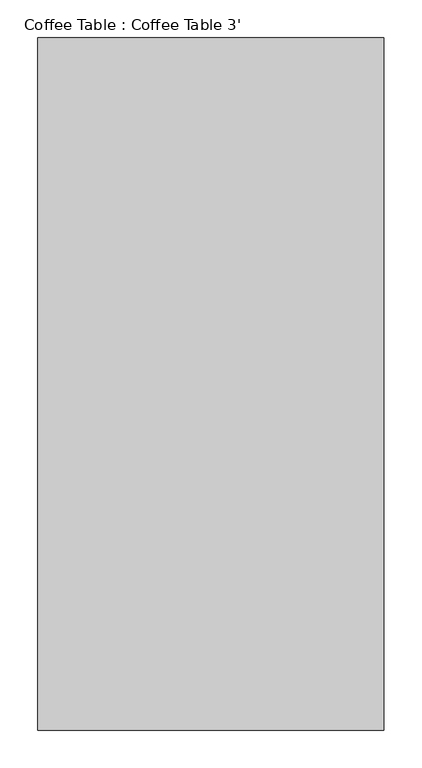
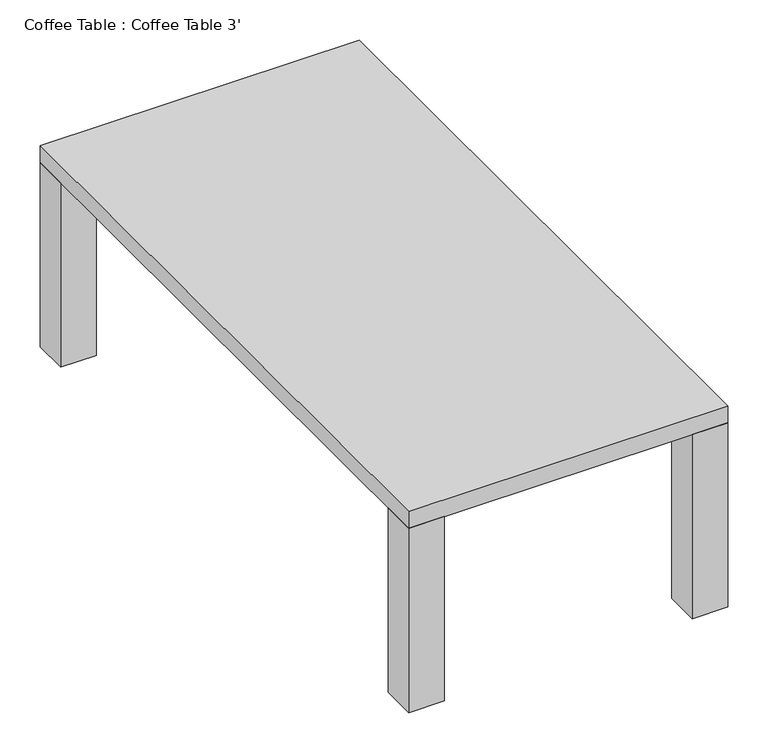
"""IFC4 building model written with IfcOpenShell, lengths in millimetres: furniture geometry, Coffee Table : Coffee Table 3'."""

from ifc_helpers import new_model, si_unit, frame, origin, origin_with_axes, place, context, project, spatial, polyline, outline, extrude, source, transform, mapped, element, save


def coffee_table_coffee_table_3_8af96b1b(model_context):
    return source(origin(), model_context, "Body", "SweptSolid", [
        extrude(outline(polyline([(50.8, 863.6), (0.0, 863.6), (0.0, 914.4), (50.8, 914.4), (50.8, 863.6)])), origin_with_axes(), (0.0, 0.0, 1.0), 279.4),
        extrude(outline(polyline([(457.2, 863.6), (406.4, 863.6), (406.4, 914.4), (457.2, 914.4), (457.2, 863.6)])), origin_with_axes(), (0.0, 0.0, 1.0), 279.4),
        extrude(outline(polyline([(457.2, 0.0), (406.4, 0.0), (406.4, 50.8), (457.2, 50.8), (457.2, 0.0)])), origin_with_axes(), (0.0, 0.0, 1.0), 279.4),
        extrude(outline(polyline([(50.8, 0.0), (0.0, 0.0), (0.0, 50.8), (50.8, 50.8), (50.8, 0.0)])), origin_with_axes(), (0.0, 0.0, 1.0), 279.4),
        extrude(outline(polyline([(457.2, 0.0), (0.0, 0.0), (0.0, 914.4), (457.2, 914.4), (457.2, 0.0)])), frame((0.0, 0.0, 279.4), z_axis=(0.0, 0.0, 1.0), x_axis=(1.0, 0.0, 0.0)), (0.0, 0.0, 1.0), 25.4),
    ])


if __name__ == "__main__":
    model = new_model("IFC4")
    model_context = context("Model", 3, world=origin())
    ifc_project = project(units=[si_unit("LENGTHUNIT", "METRE", prefix="MILLI")], contexts=[model_context])
    site = spatial("IfcSite", under=ifc_project)
    building = spatial("IfcBuilding", under=site)
    placement = place(None, origin())
    coffee_table_coffee_table_3_shape = coffee_table_coffee_table_3_8af96b1b(model_context)
    element("IfcFurniture", 1, ObjectType="Coffee Table : Coffee Table 3'", at=placement, inside=building, context=model_context, shape_type="MappedRepresentation", body=[
        mapped(coffee_table_coffee_table_3_shape, transform((0.0, 0.0, 0.0), x_axis=(1.0, 0.0, 0.0), y_axis=(0.0, 1.0, 0.0), z_axis=(0.0, 0.0, 1.0))),
    ])
    save(model, "model.ifc")
